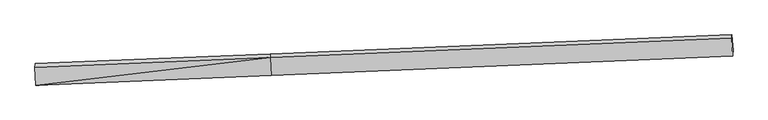
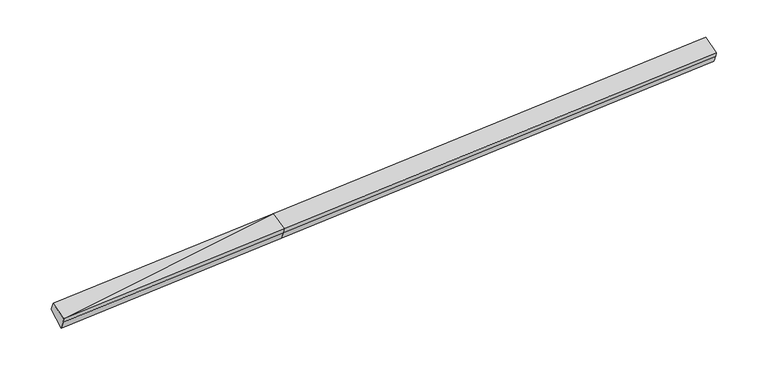
"""IFC4 building model written with IfcOpenShell, lengths in millimetres: proxy geometry."""

from ifc_helpers import new_model, si_unit, frame, origin, place, context, project, spatial, source, transform, mapped, element, save
from ifc_brep_helpers import plane_surface, spline_surface, advanced_brep


def generic_models_e3abf755(model_context):
    return source(origin(), model_context, "Body", "AdvancedBrep", [
        advanced_brep(
        [(-11413.5037922, -2418.5184349, 1535.3262095), (-11407.8481364, -2354.4563306, 1349.8956564), (-2767.005982, -1988.7237734, 1739.7948641), (-2772.6616377, -2052.7858777, 1925.2254172), (-11450.4602168, -1761.6788879, 1774.1118642), (-2809.6180624, -1395.9463307, 2164.011072), (-11441.314845, -1627.3510848, 1446.4585571), (-2800.4726906, -1261.6185276, 1836.3577648), (-11399.0330507, -2216.1853608, 1026.1197747), (-2758.1908962, -1850.4528036, 1416.0189825), (14157.6758486, -559.4010032, 2649.1056695), (14149.9712891, -677.4086, 2929.5194282), (14186.9277138, -1334.248147, 2690.7337735), (14192.5833695, -1270.1860427, 2505.3032204), (14199.9576429, -1148.2352791, 2228.7668871)],
        [
            (0, 1),
            (1, 2),
            (2, 3),
            (3, 0),
            (4, 0),
            (0, 5),
            (5, 4),
            (6, 4),
            (5, 7),
            (7, 6),
            (8, 6),
            (7, 9),
            (9, 8),
            (1, 8),
            (9, 2),
            (10, 11),
            (11, 12),
            (12, 13),
            (13, 14),
            (14, 10),
            (3, 5),
            (5, 11),
            (10, 7),
            (3, 12),
            (2, 13),
            (9, 14),
        ],
        [
            plane_surface(frame((-11410.6759643, -2386.4873827, 1442.6109329), z_axis=(0.054613110691779716, -0.9442858069352905, -0.3245638965768295), x_axis=(0.02881624612185814, 0.32640412494824833, -0.9447909669213677))),
            plane_surface(frame((-11431.9820045, -2090.0986614, 1654.7190368), z_axis=(-0.0278541674132491, -0.34291211655088844, 0.9389544321639388), x_axis=(0.05280445425109609, -0.938512156672143, -0.3411841458653182))),
            plane_surface(frame((-11445.8875309, -1694.5149863, 1610.2852106), z_axis=(-0.05615293806964734, 0.9243510949289665, 0.37738826273450454), x_axis=(-0.02581705457073852, -0.3792025417376357, 0.9249534647932339))),
            plane_surface(frame((-11420.1739479, -1921.7682228, 1236.2891659), z_axis=(0.012090236823076337, 0.5815353139019966, -0.8134313153908377), x_axis=(-0.05834340557747263, 0.8125151145283981, 0.5800131340655372))),
            plane_surface(frame((-11403.4405936, -2285.3208457, 1188.0077155), z_axis=(0.056520918851740744, -0.918733072214064, -0.39081316220447676), x_axis=(0.02503039717426773, 0.39261981085439535, -0.9193601923848765))),
            plane_surface(frame((14177.4231728, -997.8958144, 2600.6857957), z_axis=(0.9982151975708877, 0.04006368491875749, 0.04428679813719184), x_axis=(-0.02531642561705221, -0.38776137159416757, 0.9214120670435059))),
            plane_surface(frame((-11422.4320082, -2075.6380198, 1426.3824124), z_axis=(-0.9982151975708877, -0.040063684918753756, -0.04428679813719311), x_axis=(-0.02881624612185814, -0.32640412494824833, 0.9447909669213677))),
            plane_surface(frame((-11413.5037922, -2418.5184349, 1535.3262095), z_axis=(-0.027854167413249104, -0.34291211655088855, 0.9389544321639389), x_axis=(0.052804454251099184, -0.938512156672143, -0.3411841458653182))),
            spline_surface(1, 1, [[(-2800.4726906, -1261.6185276, 1836.3577648), (14157.6758486, -559.4010032, 2649.1056695)], [(-2809.6180624, -1395.9463307, 2164.011072), (14149.9712891, -677.4086, 2929.5194282)]], [2, 2], [2, 2], [0.0, 1.0], [0.0, 1.0]),
            plane_surface(frame((-2791.13985, -1724.3661042, 2044.6182446), z_axis=(-0.02785339953367542, -0.34291208572104515, 0.9389544662020944), x_axis=(0.05280445425109917, -0.9385121566721429, -0.34118414586531814))),
            plane_surface(frame((-2769.8338098, -2020.7548255, 1832.5101407), z_axis=(0.054656895968787554, -0.9442839527674166, -0.32456192054675875), x_axis=(0.02881624612185814, 0.32640412494824833, -0.9447909669213677))),
            spline_surface(1, 1, [[(-2767.005982, -1988.7237734, 1739.7948641), (14192.5833695, -1270.1860427, 2505.3032204)], [(-2758.1908962, -1850.4528036, 1416.0189825), (14199.9576429, -1148.2352791, 2228.7668871)]], [2, 2], [2, 2], [0.0, 1.0], [0.0, 1.0]),
            plane_surface(frame((-2779.3317934, -1556.0356656, 1626.1883737), z_axis=(0.014893705842874121, 0.5816466128556933, -0.8133052288530828), x_axis=(-0.05834340557748546, 0.812515114528403, 0.5800131340655289))),
        ],
        [
            (0, [[1, 2, 3, 4]]),
            (1, [[5, 6, 7]]),
            (2, [[8, -7, 9, 10]]),
            (3, [[11, -10, 12, 13]]),
            (4, [[14, -13, 15, -2]]),
            (5, [[16, 17, 18, 19, 20]]),
            (6, [[-1, -5, -8, -11, -14]]),
            (7, [[21, -6, -4]]),
            (8, [[-9, 22, -16, 23]]),
            (9, [[-21, 24, -17, -22]]),
            (10, [[-3, 25, -18, -24]]),
            (11, [[-15, 26, -19, -25]]),
            (12, [[-12, -23, -20, -26]]),
        ],
    ),
    ])


if __name__ == "__main__":
    model = new_model("IFC4")
    model_context = context("Model", 3, world=origin())
    ifc_project = project(units=[si_unit("LENGTHUNIT", "METRE", prefix="MILLI")], contexts=[model_context])
    site = spatial("IfcSite", under=ifc_project)
    building = spatial("IfcBuilding", under=site)
    placement = place(None, origin())
    generic_models_shape = generic_models_e3abf755(model_context)
    element("IfcBuildingElementProxy", 1, Name="Generic Models", at=placement, inside=building, context=model_context, shape_type="MappedRepresentation", body=[
        mapped(generic_models_shape, transform((0.0, 0.0, 0.0), x_axis=(1.0, 0.0, 0.0), y_axis=(0.0, 1.0, 0.0), z_axis=(0.0, 0.0, 1.0))),
    ])
    save(model, "model.ifc")
